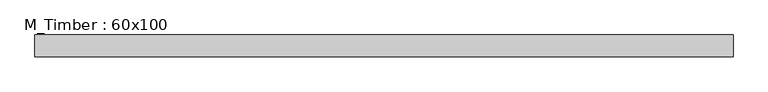
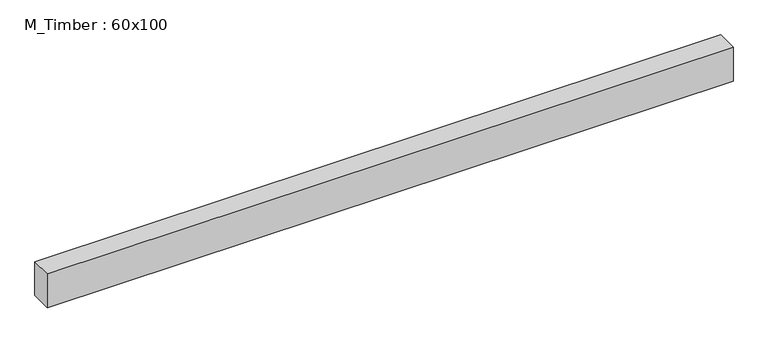
"""IFC4 building model written with IfcOpenShell, lengths in millimetres: beam geometry, M_Timber : 60x100."""

from ifc_helpers import new_model, si_unit, frame, origin, place, context, project, spatial, polyline, outline, extrude, source, transform, mapped, element, save


def m_timber_60x100_a001a681(model_context):
    return source(origin(), model_context, "Body", "SweptSolid", [
        extrude(outline(polyline([(1052.8649325, 30.0), (1052.8649325, -30.0), (-866.4724505, -30.0), (-866.4724505, 30.0), (1052.8649325, 30.0)])), frame((0.0, 0.0, -50.0), z_axis=(0.0, 0.0, 1.0), x_axis=(1.0, 0.0, 0.0)), (0.0, 0.0, 1.0), 100.0),
    ])


if __name__ == "__main__":
    model = new_model("IFC4")
    model_context = context("Model", 3, world=origin())
    ifc_project = project(units=[si_unit("LENGTHUNIT", "METRE", prefix="MILLI")], contexts=[model_context])
    site = spatial("IfcSite", under=ifc_project)
    building = spatial("IfcBuilding", under=site)
    placement = place(None, origin())
    m_timber_60x100_shape = m_timber_60x100_a001a681(model_context)
    element("IfcBeam", 1, ObjectType="M_Timber : 60x100", at=placement, inside=building, context=model_context, shape_type="MappedRepresentation", body=[
        mapped(m_timber_60x100_shape, transform((0.0, 0.0, 0.0), x_axis=(1.0, 0.0, 0.0), y_axis=(0.0, 1.0, 0.0), z_axis=(0.0, 0.0, 1.0))),
    ])
    save(model, "model.ifc")
